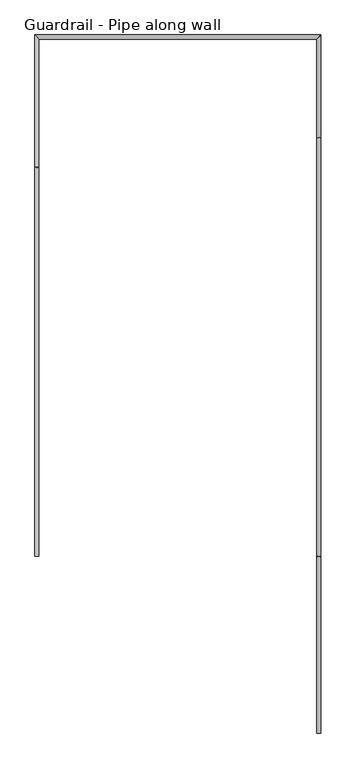
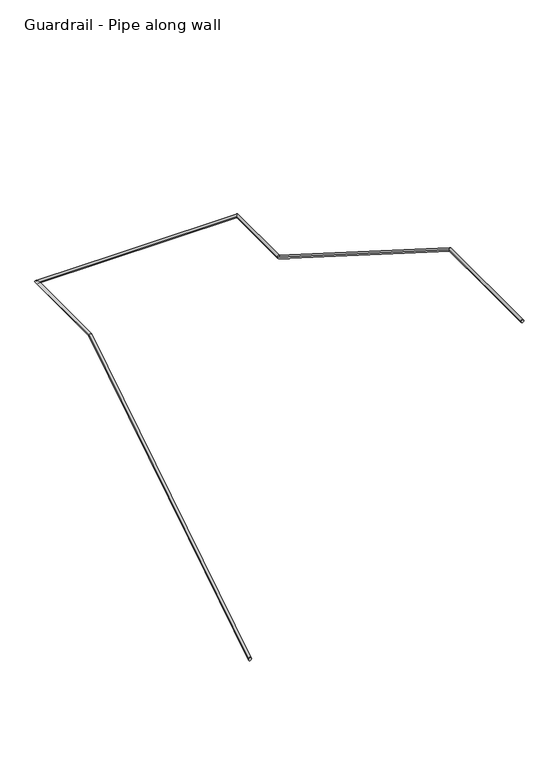
"""IFC4 building model written with IfcOpenShell, lengths in millimetres: railing geometry, Guardrail - Pipe along wall."""

from ifc_helpers import new_model, si_unit, frame, origin, place, context, project, spatial, circle_curve, ellipse_curve, source, transform, mapped, element, save
from ifc_brep_helpers import plane_surface, cylinder_surface, advanced_brep


def guardrail_pipe_along_wall_4dbb1a5e(model_context):
    return source(origin(), model_context, "Body", "AdvancedBrep", [
        advanced_brep(
        [(574003.2754676, -284201.4080223, 916.3134838), (573965.1754676, -284201.4080223, 916.3134838), (573965.1754676, -280563.6854408, 3218.9796296), (574003.2754676, -280563.6854408, 3218.9796296), (573965.1754676, -279330.9580223, 3218.9796296), (574003.2754676, -279369.0580223, 3218.9796296), (576636.1957983, -279330.9580223, 3218.9796296), (576598.0957983, -279369.0580223, 3218.9796296), (576636.1957983, -280295.3306039, 3218.9796296), (576598.0957983, -280295.3306039, 3218.9796296), (576636.1957983, -284206.9306039, 5695.0092593), (576598.0957983, -284206.9306039, 5695.0092593), (576598.0957983, -285852.4080223, 5695.0092593), (576636.1957983, -285852.4080223, 5695.0092593)],
        [
            (0, 1, ellipse_curve(frame((573984.2254676, -284201.4080223, 916.3134838), z_axis=(0.0, -1.0, 0.0), x_axis=(0.0, 0.0, -1.0)), 22.5457755, 19.05)),
            (1, 0, ellipse_curve(frame((573984.2254676, -284201.4080223, 916.3134838), z_axis=(0.0, -1.0, 0.0), x_axis=(0.0, 0.0, -1.0)), 22.5457755, 19.05)),
            (1, 2),
            (2, 3, ellipse_curve(frame((573984.2254676, -280563.6854408, 3218.9796296), z_axis=(0.0, -0.9604550090529093, -0.27843522691135153), x_axis=(0.0, 0.2784352269113508, -0.9604550090529096)), 19.8343492, 19.05)),
            (3, 0),
            (3, 2, ellipse_curve(frame((573984.2254676, -280563.6854408, 3218.9796296), z_axis=(0.0, -0.9604550090529093, -0.27843522691135153), x_axis=(0.0, 0.2784352269113508, -0.9604550090529096)), 19.8343492, 19.05)),
            (2, 4),
            (4, 5, ellipse_curve(frame((573984.2254676, -279350.0080223, 3218.9796296), z_axis=(-0.7071067811866005, -0.7071067811864945, 0.0), x_axis=(0.7071067811864946, -0.7071067811866004, 0.0)), 26.9407684, 19.05)),
            (5, 3),
            (5, 4, ellipse_curve(frame((573984.2254676, -279350.0080223, 3218.9796296), z_axis=(-0.7071067811866005, -0.7071067811864945, 0.0), x_axis=(0.7071067811864946, -0.7071067811866004, 0.0)), 26.9407684, 19.05)),
            (4, 6),
            (6, 7, ellipse_curve(frame((576617.1457983, -279350.0080223, 3218.9796296), z_axis=(-0.7071067811864945, 0.7071067811866005, 0.0), x_axis=(-0.7071067811866005, -0.7071067811864944, 0.0)), 26.9407684, 19.05)),
            (7, 5),
            (7, 6, ellipse_curve(frame((576617.1457983, -279350.0080223, 3218.9796296), z_axis=(-0.7071067811864945, 0.7071067811866005, 0.0), x_axis=(-0.7071067811866005, -0.7071067811864944, 0.0)), 26.9407684, 19.05)),
            (6, 8),
            (8, 9, ellipse_curve(frame((576617.1457983, -280295.3306039, 3218.9796296), z_axis=(0.0, 0.9604550090529086, -0.27843522691135364), x_axis=(0.0, 0.2784352269113546, 0.9604550090529084)), 19.8343492, 19.05)),
            (9, 7),
            (9, 8, ellipse_curve(frame((576617.1457983, -280295.3306039, 3218.9796296), z_axis=(0.0, 0.9604550090529086, -0.27843522691135364), x_axis=(0.0, 0.2784352269113546, 0.9604550090529084)), 19.8343492, 19.05)),
            (8, 10),
            (10, 11, ellipse_curve(frame((576617.1457983, -284206.9306039, 5695.0092593), z_axis=(0.0, 0.9604550090529086, -0.2784352269113537), x_axis=(0.0, -0.27843522691135303, -0.9604550090529088)), 19.8343492, 19.05)),
            (11, 9),
            (11, 10, ellipse_curve(frame((576617.1457983, -284206.9306039, 5695.0092593), z_axis=(0.0, 0.9604550090529086, -0.2784352269113537), x_axis=(0.0, -0.27843522691135303, -0.9604550090529088)), 19.8343492, 19.05)),
            (12, 13, circle_curve(frame((576617.1457983, -285852.4080223, 5695.0092593), z_axis=(0.0, -1.0, 0.0), x_axis=(1.0, 0.0, 0.0)), 19.05)),
            (13, 12, circle_curve(frame((576617.1457983, -285852.4080223, 5695.0092593), z_axis=(0.0, -1.0, 0.0), x_axis=(1.0, 0.0, 0.0)), 19.05)),
            (10, 13),
            (12, 11),
        ],
        [
            plane_surface(frame((573984.2254676, -284201.4080223, 938.8592593), z_axis=(0.0, -1.0, 0.0), x_axis=(0.0, 0.0, 1.0))),
            cylinder_surface(frame((573984.2254676, -284191.2191486, 922.7630065), z_axis=(0.0, -0.8449476488296483, -0.534849016767582), x_axis=(-1.0, 0.0, 0.0)), 19.05),
            cylinder_surface(frame((573984.2254676, -280569.2080223, 3218.9796296), z_axis=(0.0, -1.0, 0.0), x_axis=(-1.0, 0.0, 0.0)), 19.05),
            cylinder_surface(frame((573984.2254676, -279350.0080223, 3218.9796296), z_axis=(-1.0, 0.0, 0.0), x_axis=(0.0, 1.0, 0.0)), 19.05),
            cylinder_surface(frame((576617.1457983, -279350.0080223, 3218.9796296), z_axis=(0.0, 1.0, 0.0), x_axis=(1.0, 0.0, 0.0)), 19.05),
            cylinder_surface(frame((576617.1457983, -280299.9968961, 3221.9333769), z_axis=(0.0, 0.844947648829646, -0.5348490167675858), x_axis=(1.0, 0.0, 0.0)), 19.05),
            plane_surface(frame((576617.1457983, -285852.4080223, 5714.0592593), z_axis=(0.0, -1.0, 0.0), x_axis=(0.0, 0.0, -1.0))),
            cylinder_surface(frame((576617.1457983, -284201.4080223, 5695.0092593), z_axis=(0.0, 1.0, 0.0), x_axis=(1.0, 0.0, 0.0)), 19.05),
        ],
        [
            (0, [[1, 2]]),
            (1, [[-2, 3, 4, 5]]),
            (1, [[-1, -5, 6, -3]]),
            (2, [[-4, 7, 8, 9]]),
            (2, [[-6, -9, 10, -7]]),
            (3, [[-8, 11, 12, 13]]),
            (3, [[-10, -13, 14, -11]]),
            (4, [[-12, 15, 16, 17]]),
            (4, [[-14, -17, 18, -15]]),
            (5, [[-16, 19, 20, 21]]),
            (5, [[-18, -21, 22, -19]]),
            (6, [[23, 24]]),
            (7, [[-20, 25, -23, 26]]),
            (7, [[-22, -26, -24, -25]]),
        ],
    ),
    ])


if __name__ == "__main__":
    model = new_model("IFC4")
    model_context = context("Model", 3, world=origin())
    ifc_project = project(units=[si_unit("LENGTHUNIT", "METRE", prefix="MILLI")], contexts=[model_context])
    site = spatial("IfcSite", under=ifc_project)
    building = spatial("IfcBuilding", under=site)
    placement = place(None, origin())
    guardrail_pipe_along_wall_shape = guardrail_pipe_along_wall_4dbb1a5e(model_context)
    element("IfcRailing", 1, ObjectType="Guardrail - Pipe along wall", at=placement, inside=building, context=model_context, shape_type="MappedRepresentation", body=[
        mapped(guardrail_pipe_along_wall_shape, transform((0.0, 0.0, 0.0), x_axis=(1.0, 0.0, 0.0), y_axis=(0.0, 1.0, 0.0), z_axis=(0.0, 0.0, 1.0))),
    ])
    save(model, "model.ifc")
